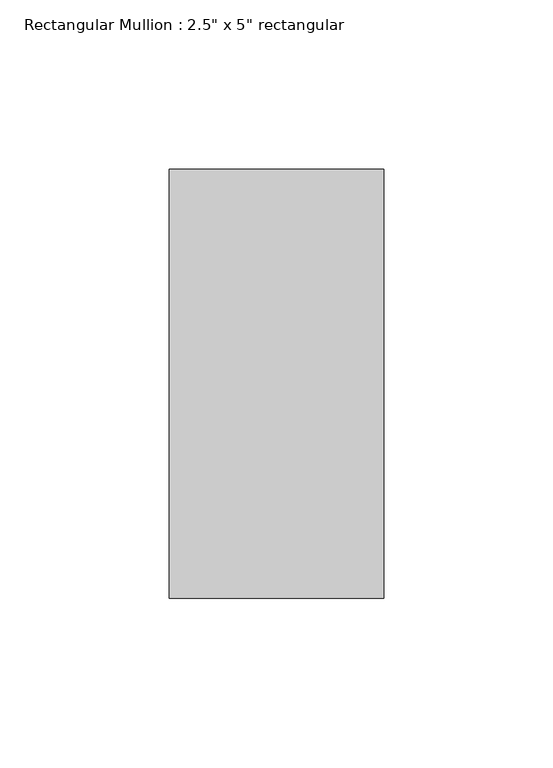
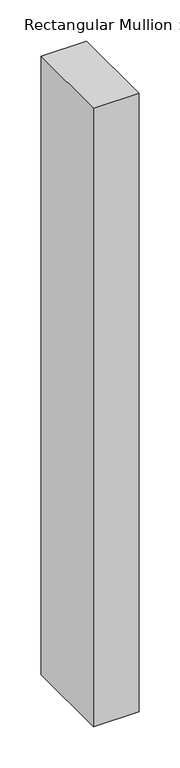
"""IFC4 building model written with IfcOpenShell, lengths in millimetres: member geometry."""

from ifc_helpers import new_model, si_unit, frame, origin, place, context, project, spatial, polyline, outline, extrude, source, transform, mapped, element, save


def member_82fb7bde(model_context):
    return source(origin(), model_context, "Body", "SweptSolid", [
        extrude(outline(polyline([(31.75, 63.5), (31.75, -63.5), (-31.75, -63.5), (-31.75, 63.5), (31.75, 63.5)])), frame((0.0, 0.0, -914.6), z_axis=(0.0, 0.0, 1.0), x_axis=(1.0, 0.0, 0.0)), (0.0, 0.0, 1.0), 914.6),
    ])


if __name__ == "__main__":
    model = new_model("IFC4")
    model_context = context("Model", 3, world=origin())
    ifc_project = project(units=[si_unit("LENGTHUNIT", "METRE", prefix="MILLI")], contexts=[model_context])
    site = spatial("IfcSite", under=ifc_project)
    building = spatial("IfcBuilding", under=site)
    placement = place(None, origin())
    member_shape = member_82fb7bde(model_context)
    element("IfcMember", 1, ObjectType="Rectangular Mullion : 2.5\" x 5\" rectangular", at=placement, inside=building, context=model_context, shape_type="MappedRepresentation", body=[
        mapped(member_shape, transform((0.0, 0.0, 0.0), x_axis=(1.0, 0.0, 0.0), y_axis=(0.0, 1.0, 0.0), z_axis=(0.0, 0.0, 1.0))),
    ])
    save(model, "model.ifc")
